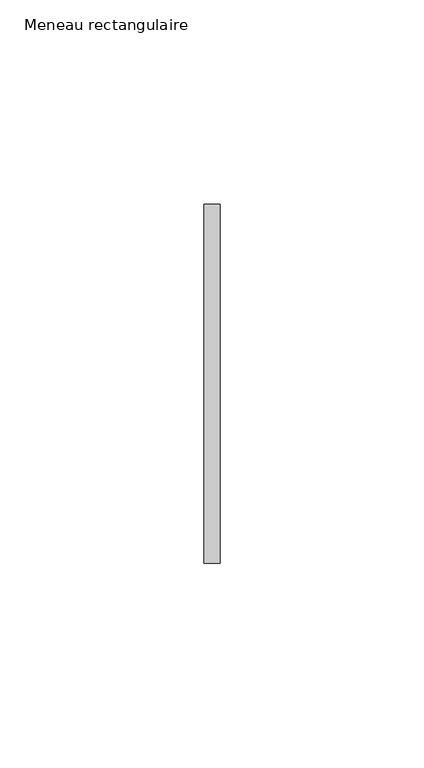
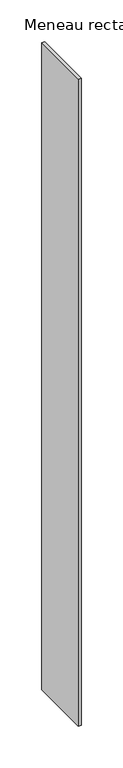
"""IFC4 building model written with IfcOpenShell, lengths in millimetres: member geometry, Meneau rectangulaire."""

from ifc_helpers import new_model, si_unit, frame, origin, place, context, project, spatial, polyline, outline, extrude, source, transform, mapped, element, save


def meneau_rectangulaire_6834afd8(model_context):
    return source(origin(), model_context, "Body", "SweptSolid", [
        extrude(outline(polyline([(-2.0, 44.0), (2.0, 44.0), (2.0, -44.0), (-2.0, -44.0), (-2.0, 44.0)])), frame((0.0, 0.0, -948.0), z_axis=(0.0, 0.0, 1.0), x_axis=(1.0, 0.0, 0.0)), (0.0, 0.0, 1.0), 948.0),
    ])


if __name__ == "__main__":
    model = new_model("IFC4")
    model_context = context("Model", 3, world=origin())
    ifc_project = project(units=[si_unit("LENGTHUNIT", "METRE", prefix="MILLI")], contexts=[model_context])
    site = spatial("IfcSite", under=ifc_project)
    building = spatial("IfcBuilding", under=site)
    placement = place(None, origin())
    meneau_rectangulaire_shape = meneau_rectangulaire_6834afd8(model_context)
    element("IfcMember", 1, ObjectType="Meneau rectangulaire", at=placement, inside=building, context=model_context, shape_type="MappedRepresentation", body=[
        mapped(meneau_rectangulaire_shape, transform((0.0, 0.0, 0.0), x_axis=(1.0, 0.0, 0.0), y_axis=(0.0, 1.0, 0.0), z_axis=(0.0, 0.0, 1.0))),
    ])
    save(model, "model.ifc")
